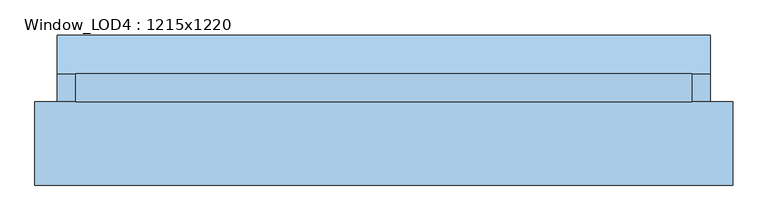
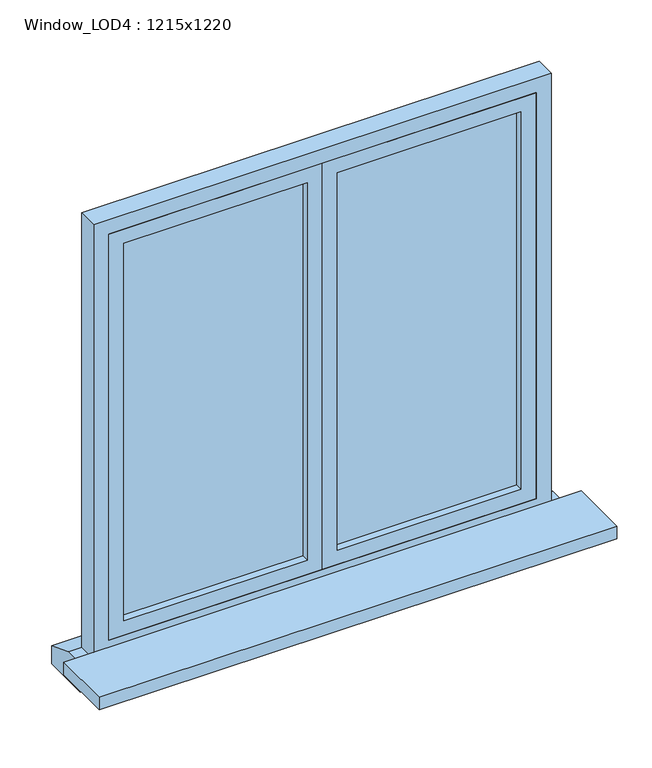
"""IFC4 building model written with IfcOpenShell, lengths in millimetres: window geometry, Window_LOD4 : 1215x1220."""

from ifc_helpers import new_model, si_unit, frame, origin, place, context, project, spatial, polyline, outline, extrude, source, transform, mapped, element, save


def window_lod4_1215x1220_ccb8530d(model_context):
    return source(origin(), model_context, "Body", "SweptSolid", [
        extrude(outline(polyline([(527.5000243, 67.5), (40.0, 67.5), (40.0, 82.5), (527.5000243, 82.5), (527.5000243, 67.5)])), frame((0.0, 0.0, 880.0), z_axis=(0.0, 0.0, 1.0), x_axis=(1.0, 0.0, 0.0)), (0.0, 0.0, 1.0), 1060.0000489),
        extrude(outline(polyline([(1980.0000489, 0.0), (840.0, 0.0), (840.0, 567.5000243), (1980.0000489, 567.5000243), (1980.0000489, 0.0)]), holes=[polyline([(1940.0000489, 40.0), (1940.0000489, 527.5000243), (880.0, 527.5000243), (880.0, 40.0), (1940.0000489, 40.0)])]), frame((0.0, 47.5, 0.0), z_axis=(0.0, 1.0, 0.0), x_axis=(0.0, 0.0, 1.0)), (0.0, 0.0, 1.0), 55.0),
        extrude(outline(polyline([(-40.0, 67.5), (-527.5000243, 67.5), (-527.5000243, 82.5), (-40.0, 82.5), (-40.0, 67.5)])), frame((0.0, 0.0, 880.0), z_axis=(0.0, 0.0, 1.0), x_axis=(1.0, 0.0, 0.0)), (0.0, 0.0, 1.0), 1060.0000489),
        extrude(outline(polyline([(1980.0000489, -567.5000243), (840.0, -567.5000243), (840.0, 0.0), (1980.0000489, 0.0), (1980.0000489, -567.5000243)]), holes=[polyline([(1940.0000489, -527.5000243), (1940.0000489, -40.0), (880.0, -40.0), (880.0, -527.5000243), (1940.0000489, -527.5000243)])]), frame((0.0, 47.5, 0.0), z_axis=(0.0, 1.0, 0.0), x_axis=(0.0, 0.0, 1.0)), (0.0, 0.0, 1.0), 55.0),
        extrude(outline(polyline([(102.5, 800.0), (179.0784627, 770.0), (179.0784627, 720.0), (47.5, 720.0), (47.5, 800.0), (102.5, 800.0)])), frame((-643.3669322, 0.0, 0.0), z_axis=(1.0, 0.0, 0.0), x_axis=(0.0, 1.0, 0.0)), (0.0, 0.0, 1.0), 1286.7338644),
        extrude(outline(polyline([(2020.0000489, -607.5000243), (800.0, -607.5000243), (800.0, 607.5000243), (2020.0000489, 607.5000243), (2020.0000489, -607.5000243)]), holes=[polyline([(1980.0000489, -567.5000243), (1980.0000489, 567.5000243), (840.0, 567.5000243), (840.0, -567.5000243), (1980.0000489, -567.5000243)])]), frame((0.0, 47.5, 0.0), z_axis=(0.0, 1.0, 0.0), x_axis=(0.0, 0.0, 1.0)), (0.0, 0.0, 1.0), 55.0),
        extrude(outline(polyline([(687.5000243, 47.5), (687.5000243, -116.3411723), (-687.5000243, -116.3411723), (-687.5000243, 47.5), (687.5000243, 47.5)])), frame((0.0, 0.0, 785.0), z_axis=(0.0, 0.0, 1.0), x_axis=(1.0, 0.0, 0.0)), (0.0, 0.0, 1.0), 35.0),
    ])


if __name__ == "__main__":
    model = new_model("IFC4")
    model_context = context("Model", 3, world=origin())
    ifc_project = project(units=[si_unit("LENGTHUNIT", "METRE", prefix="MILLI")], contexts=[model_context])
    site = spatial("IfcSite", under=ifc_project)
    building = spatial("IfcBuilding", under=site)
    placement = place(None, origin())
    window_lod4_1215x1220_shape = window_lod4_1215x1220_ccb8530d(model_context)
    element("IfcWindow", 1, ObjectType="Window_LOD4 : 1215x1220", at=placement, inside=building, context=model_context, shape_type="MappedRepresentation", body=[
        mapped(window_lod4_1215x1220_shape, transform((0.0, 0.0, 0.0), x_axis=(1.0, 0.0, 0.0), y_axis=(0.0, 1.0, 0.0), z_axis=(0.0, 0.0, 1.0))),
    ])
    save(model, "model.ifc")
